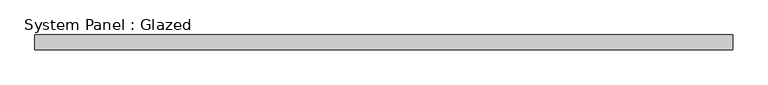
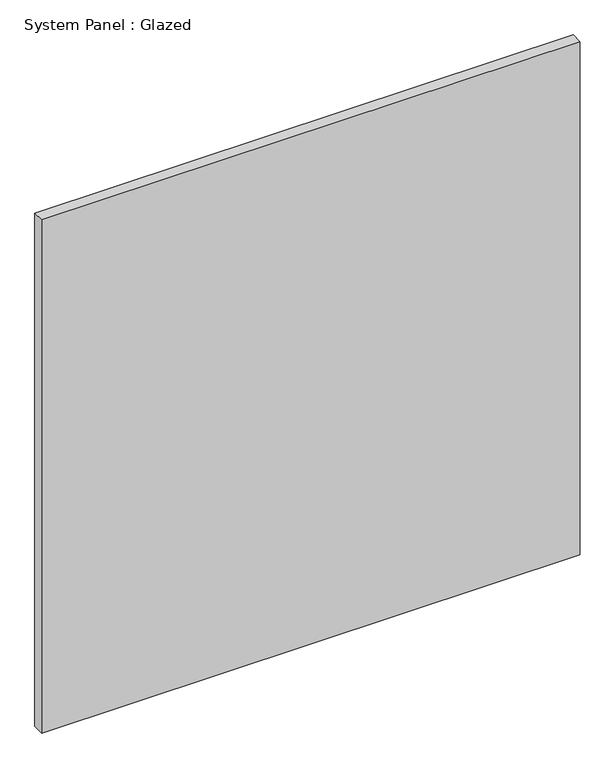
"""IFC4 building model written with IfcOpenShell, lengths in millimetres: plate geometry, System Panel : Glazed."""

from ifc_helpers import new_model, si_unit, origin, origin_with_axes, place, context, project, spatial, polyline, outline, extrude, source, transform, mapped, element, save


def system_panel_glazed_7f19710b(model_context):
    return source(origin(), model_context, "Body", "SweptSolid", [
        extrude(outline(polyline([(589.4916667, -12.7), (-589.4916667, -12.7), (-589.4916667, 12.7), (589.4916667, 12.7), (589.4916667, -12.7)])), origin_with_axes(), (0.0, 0.0, 1.0), 1187.45),
    ])


if __name__ == "__main__":
    model = new_model("IFC4")
    model_context = context("Model", 3, world=origin())
    ifc_project = project(units=[si_unit("LENGTHUNIT", "METRE", prefix="MILLI")], contexts=[model_context])
    site = spatial("IfcSite", under=ifc_project)
    building = spatial("IfcBuilding", under=site)
    placement = place(None, origin())
    system_panel_glazed_shape = system_panel_glazed_7f19710b(model_context)
    element("IfcPlate", 1, ObjectType="System Panel : Glazed", at=placement, inside=building, context=model_context, shape_type="MappedRepresentation", body=[
        mapped(system_panel_glazed_shape, transform((0.0, 0.0, 0.0), x_axis=(1.0, 0.0, 0.0), y_axis=(0.0, 1.0, 0.0), z_axis=(0.0, 0.0, 1.0))),
    ])
    save(model, "model.ifc")
